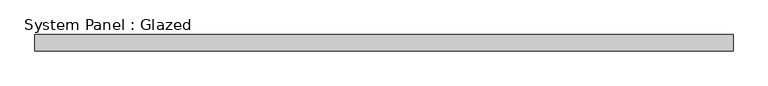
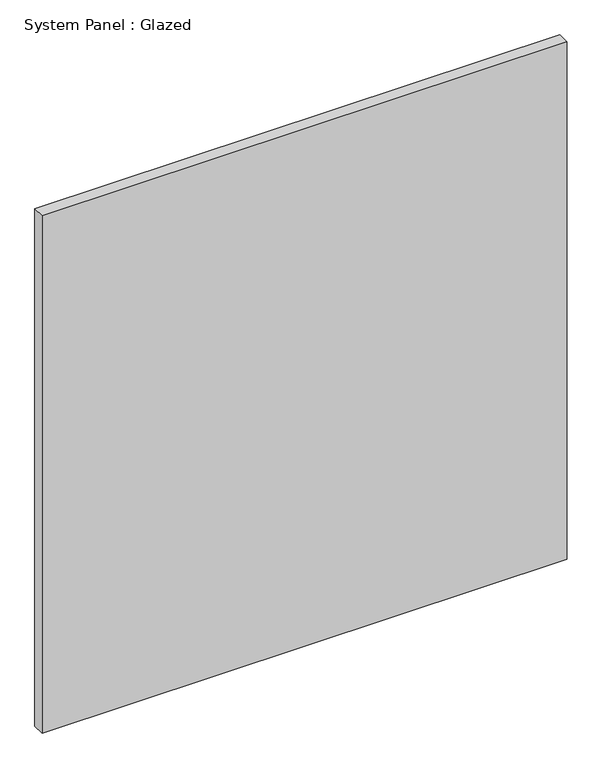
"""IFC4 building model written with IfcOpenShell, lengths in millimetres: plate geometry, System Panel : Glazed."""

from ifc_helpers import new_model, si_unit, origin, origin_with_axes, place, context, project, spatial, polyline, outline, extrude, source, transform, mapped, element, save


def system_panel_glazed_fb86db26(model_context):
    return source(origin(), model_context, "Body", "SweptSolid", [
        extrude(outline(polyline([(539.75, -44.45), (-539.75, -44.45), (-539.75, -19.05), (539.75, -19.05), (539.75, -44.45)])), origin_with_axes(), (0.0, 0.0, 1.0), 1123.95),
    ])


if __name__ == "__main__":
    model = new_model("IFC4")
    model_context = context("Model", 3, world=origin())
    ifc_project = project(units=[si_unit("LENGTHUNIT", "METRE", prefix="MILLI")], contexts=[model_context])
    site = spatial("IfcSite", under=ifc_project)
    building = spatial("IfcBuilding", under=site)
    placement = place(None, origin())
    system_panel_glazed_shape = system_panel_glazed_fb86db26(model_context)
    element("IfcPlate", 1, ObjectType="System Panel : Glazed", at=placement, inside=building, context=model_context, shape_type="MappedRepresentation", body=[
        mapped(system_panel_glazed_shape, transform((0.0, 0.0, 0.0), x_axis=(1.0, 0.0, 0.0), y_axis=(0.0, 1.0, 0.0), z_axis=(0.0, 0.0, 1.0))),
    ])
    save(model, "model.ifc")
